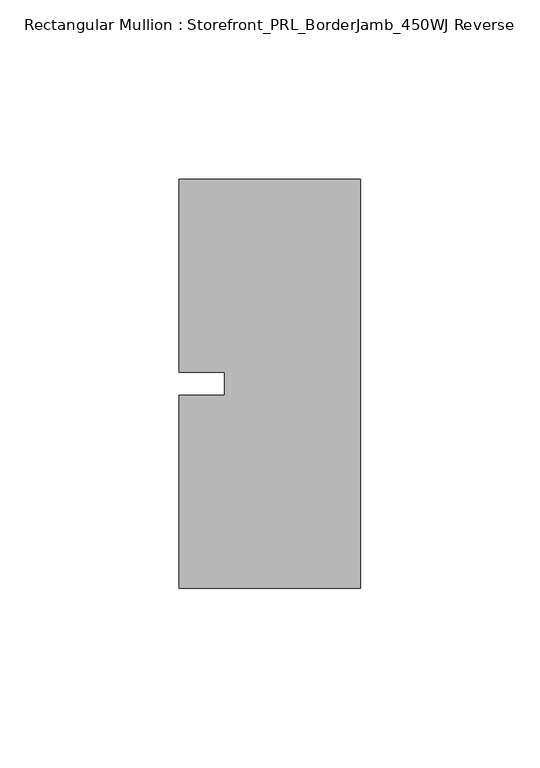
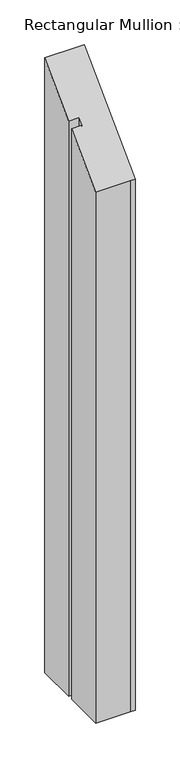
"""IFC4 building model written with IfcOpenShell, lengths in millimetres: member geometry, Rectangular Mullion : Storefront_PRL_BorderJamb_450WJ Reverse."""

from ifc_helpers import new_model, si_unit, origin, place, context, project, spatial, faceted_brep, source, transform, mapped, element, save


def rectangular_mullion_storefront_prl_borderjamb_450wj_reverse_76a70c18(model_context):
    return source(origin(), model_context, "Body", "Brep", [
        faceted_brep([(-38.1, -3.175, -782.1083333), (-38.1, 3.175, -782.1083333), (-50.8, 3.175, -782.1083333), (-50.8, 57.15, -782.1083333), (-7.3958824, 57.15, -782.1083333), (0.0, 57.15, -782.1083333), (0.0, -57.15, -782.1083333), (-6.35, -57.15, -782.1083333), (-50.8, -57.15, -782.1083333), (-50.8, -3.175, -782.1083333), (-50.8, -3.175, -3.175), (-38.1, -3.175, -3.175), (-50.8, -57.15, -57.15), (-6.35, -57.15, -57.15), (0.0, -57.15, -57.15), (0.0, 57.15, 57.15), (-7.3958824, 57.15, 57.15), (-50.8, 57.15, 57.15), (-50.8, 3.175, 3.175), (-38.1, 3.175, 3.175)], [[[0, 1, 2, 3, 4, 5, 6, 7, 8, 9]], [[10, 11, 0, 9]], [[12, 10, 9, 8]], [[13, 12, 8, 7]], [[14, 13, 7, 6]], [[15, 14, 6, 5]], [[16, 15, 5, 4]], [[17, 16, 4, 3]], [[18, 17, 3, 2]], [[19, 18, 2, 1]], [[11, 19, 1, 0]], [[11, 10, 12, 13, 14, 15, 16, 17, 18, 19]]]),
    ])


if __name__ == "__main__":
    model = new_model("IFC4")
    model_context = context("Model", 3, world=origin())
    ifc_project = project(units=[si_unit("LENGTHUNIT", "METRE", prefix="MILLI")], contexts=[model_context])
    site = spatial("IfcSite", under=ifc_project)
    building = spatial("IfcBuilding", under=site)
    placement = place(None, origin())
    rectangular_mullion_storefront_prl_borderjamb_450wj_reverse_shape = rectangular_mullion_storefront_prl_borderjamb_450wj_reverse_76a70c18(model_context)
    element("IfcMember", 1, ObjectType="Rectangular Mullion : Storefront_PRL_BorderJamb_450WJ Reverse", at=placement, inside=building, context=model_context, shape_type="MappedRepresentation", body=[
        mapped(rectangular_mullion_storefront_prl_borderjamb_450wj_reverse_shape, transform((0.0, 0.0, 0.0), x_axis=(1.0, 0.0, 0.0), y_axis=(0.0, 1.0, 0.0), z_axis=(0.0, 0.0, 1.0))),
    ])
    save(model, "model.ifc")
